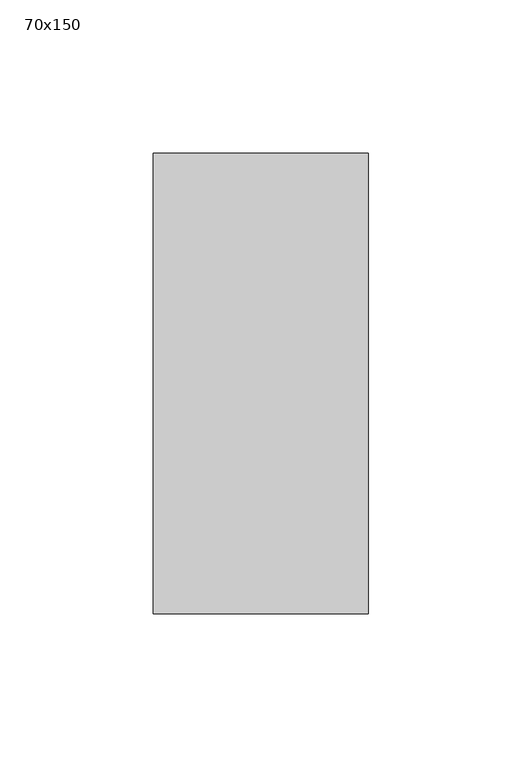
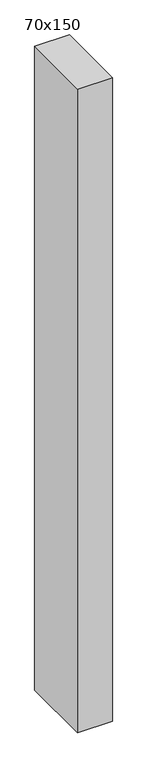
"""IFC4 building model written with IfcOpenShell, lengths in millimetres: member geometry, 70x150."""

from ifc_helpers import new_model, si_unit, frame, origin, place, context, project, spatial, polyline, outline, extrude, source, transform, mapped, element, save


def member_70x150_65cd120a(model_context):
    return source(origin(), model_context, "Body", "SweptSolid", [
        extrude(outline(polyline([(-75.0, 0.0), (75.0, 0.0), (75.0, -1373.6629598), (-75.0, -1372.6152956), (-75.0, 0.0)])), frame((-70.0, 0.0, 0.0), z_axis=(1.0, 0.0, 0.0), x_axis=(0.0, 1.0, 0.0)), (0.0, 0.0, 1.0), 70.0),
    ])


if __name__ == "__main__":
    model = new_model("IFC4")
    model_context = context("Model", 3, world=origin())
    ifc_project = project(units=[si_unit("LENGTHUNIT", "METRE", prefix="MILLI")], contexts=[model_context])
    site = spatial("IfcSite", under=ifc_project)
    building = spatial("IfcBuilding", under=site)
    placement = place(None, origin())
    member_70x150_shape = member_70x150_65cd120a(model_context)
    element("IfcMember", 1, ObjectType="70x150", at=placement, inside=building, context=model_context, shape_type="MappedRepresentation", body=[
        mapped(member_70x150_shape, transform((0.0, 0.0, 0.0), x_axis=(1.0, 0.0, 0.0), y_axis=(0.0, 1.0, 0.0), z_axis=(0.0, 0.0, 1.0))),
    ])
    save(model, "model.ifc")
